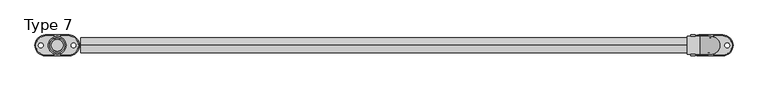
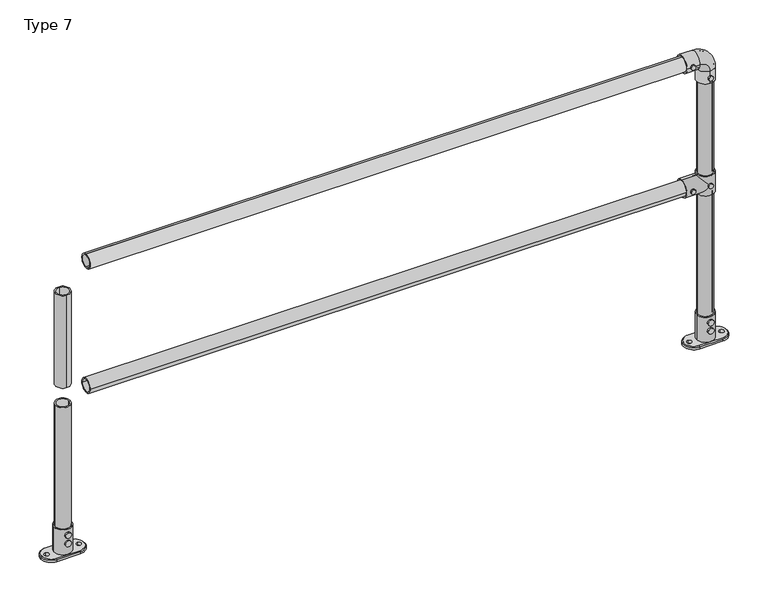
"""IFC4 building model written with IfcOpenShell, lengths in millimetres: proxy geometry, Type 7."""

from ifc_helpers import new_model, si_unit, point, frame, frame_2d, origin, origin_with_axes, origin_2d, place, context, project, spatial, polyline, circle_curve, ellipse_curve, trimmed, segment, composite_curve, outline, extrude, source, transform, mapped, element, save
from ifc_brep_helpers import plane_surface, cylinder_surface, revolved_surface, advanced_brep


def type_7_991a9b42(model_context):
    return source(origin(), model_context, "Body", "SolidModel", [
        extrude(outline(composite_curve([segment(trimmed(circle_curve(frame_2d((575.0, 2200.0)), 8.0), [point((575.0, 2208.0))], [point((575.0, 2192.0))], False, "CARTESIAN"), True, "CONTINUOUS"), segment(trimmed(circle_curve(frame_2d((575.0, 2200.0)), 8.0), [point((575.0, 2192.0))], [point((575.0, 2208.0))], False, "CARTESIAN"), True, "CONTINUOUS")], self_intersect=False)), frame((0.0, -35.0, 0.0), z_axis=(0.0, 1.0, 0.0), x_axis=(0.0, 0.0, 1.0)), (0.0, 0.0, 1.0), 5.0),
        extrude(outline(composite_curve([segment(trimmed(circle_curve(frame_2d((575.0, 2140.0)), 8.0), [point((575.0, 2148.0))], [point((575.0, 2132.0))], False, "CARTESIAN"), True, "CONTINUOUS"), segment(trimmed(circle_curve(frame_2d((575.0, 2140.0)), 8.0), [point((575.0, 2132.0))], [point((575.0, 2148.0))], False, "CARTESIAN"), True, "CONTINUOUS")], self_intersect=False)), frame((0.0, -35.0, 0.0), z_axis=(0.0, 1.0, 0.0), x_axis=(0.0, 0.0, 1.0)), (0.0, 0.0, 1.0), 5.0),
        extrude(outline(composite_curve([segment(trimmed(circle_curve(frame_2d((575.0, 2200.0)), 8.0), [point((575.0, 2208.0))], [point((575.0, 2192.0))], False, "CARTESIAN"), True, "CONTINUOUS"), segment(trimmed(circle_curve(frame_2d((575.0, 2200.0)), 8.0), [point((575.0, 2192.0))], [point((575.0, 2208.0))], False, "CARTESIAN"), True, "CONTINUOUS")], self_intersect=False)), frame((0.0, 30.0, 0.0), z_axis=(0.0, 1.0, 0.0), x_axis=(0.0, 0.0, 1.0)), (0.0, 0.0, 1.0), 5.0),
        extrude(outline(composite_curve([segment(trimmed(circle_curve(frame_2d((575.0, 2140.0)), 8.0), [point((575.0, 2148.0))], [point((575.0, 2132.0))], False, "CARTESIAN"), True, "CONTINUOUS"), segment(trimmed(circle_curve(frame_2d((575.0, 2140.0)), 8.0), [point((575.0, 2132.0))], [point((575.0, 2148.0))], False, "CARTESIAN"), True, "CONTINUOUS")], self_intersect=False)), frame((0.0, 30.0, 0.0), z_axis=(0.0, 1.0, 0.0), x_axis=(0.0, 0.0, 1.0)), (0.0, 0.0, 1.0), 5.0),
        advanced_brep(
        [(2230.0, 0.0, 610.0), (2170.0, 0.0, 610.0), (2200.0, 25.0, 610.0), (2200.0, -25.0, 610.0), (2230.0, 0.0, 540.0), (2170.0, 0.0, 540.0), (2200.0, -25.0, 540.0), (2200.0, 25.0, 540.0), (2170.0, 0.0, 545.0), (2200.0, 30.0, 575.0), (2170.0, 0.0, 605.0), (2200.0, -30.0, 575.0), (2120.0, 0.0, 545.0), (2120.0, 0.0, 605.0), (2120.0, 0.0, 600.0), (2120.0, 0.0, 550.0), (2175.0, 0.0, 600.0), (2200.0, -25.0, 575.0), (2175.0, 0.0, 550.0), (2200.0, 25.0, 575.0)],
        [
            (0, 1, circle_curve(frame((2200.0, 0.0, 610.0), z_axis=(0.0, 0.0, 1.0), x_axis=(-1.0, 0.0, 0.0)), 30.0)),
            (1, 0, circle_curve(frame((2200.0, 0.0, 610.0), z_axis=(0.0, 0.0, 1.0), x_axis=(-1.0, 0.0, 0.0)), 30.0)),
            (2, 3, circle_curve(frame((2200.0, 0.0, 610.0), z_axis=(0.0, 0.0, -1.0), x_axis=(0.0, -1.0, 0.0)), 25.0)),
            (3, 2, circle_curve(frame((2200.0, 0.0, 610.0), z_axis=(0.0, 0.0, -1.0), x_axis=(0.0, -1.0, 0.0)), 25.0)),
            (4, 5, circle_curve(frame((2200.0, 0.0, 540.0), z_axis=(0.0, 0.0, -1.0), x_axis=(-1.0, 0.0, 0.0)), 30.0)),
            (5, 4, circle_curve(frame((2200.0, 0.0, 540.0), z_axis=(0.0, 0.0, -1.0), x_axis=(-1.0, 0.0, 0.0)), 30.0)),
            (6, 7, circle_curve(frame((2200.0, 0.0, 540.0), z_axis=(0.0, 0.0, 1.0), x_axis=(0.0, -1.0, 0.0)), 25.0)),
            (7, 6, circle_curve(frame((2200.0, 0.0, 540.0), z_axis=(0.0, 0.0, 1.0), x_axis=(0.0, -1.0, 0.0)), 25.0)),
            (0, 4),
            (5, 8),
            (8, 9, ellipse_curve(frame((2200.0, 0.0, 575.0), z_axis=(0.7071067811865458, 0.0, -0.7071067811865492), x_axis=(0.7071067811865492, 0.0, 0.7071067811865458)), 42.4264069, 30.0)),
            (9, 10, ellipse_curve(frame((2200.0, 0.0, 575.0), z_axis=(0.7071067811865492, 0.0, 0.7071067811865458), x_axis=(-0.7071067811865458, 0.0, 0.7071067811865492)), 42.4264069, 30.0)),
            (10, 1),
            (10, 11, ellipse_curve(frame((2200.0, 0.0, 575.0), z_axis=(0.7071067811865492, 0.0, 0.7071067811865458), x_axis=(-0.7071067811865458, 0.0, 0.7071067811865492)), 42.4264069, 30.0)),
            (11, 8, ellipse_curve(frame((2200.0, 0.0, 575.0), z_axis=(0.7071067811865458, 0.0, -0.7071067811865492), x_axis=(0.7071067811865492, 0.0, 0.7071067811865458)), 42.4264069, 30.0)),
            (12, 13, circle_curve(frame((2120.0, 0.0, 575.0), z_axis=(-1.0, 0.0, 0.0), x_axis=(0.0, 0.0, 1.0)), 30.0)),
            (13, 12, circle_curve(frame((2120.0, 0.0, 575.0), z_axis=(-1.0, 0.0, 0.0), x_axis=(0.0, 0.0, 1.0)), 30.0)),
            (14, 15, circle_curve(frame((2120.0, 0.0, 575.0), z_axis=(1.0, 0.0, 0.0), x_axis=(0.0, 0.0, -1.0)), 25.0)),
            (15, 14, circle_curve(frame((2120.0, 0.0, 575.0), z_axis=(1.0, 0.0, 0.0), x_axis=(0.0, 0.0, -1.0)), 25.0)),
            (12, 8),
            (10, 13),
            (14, 16),
            (16, 17, ellipse_curve(frame((2200.0, 0.0, 575.0), z_axis=(0.7071067811865492, 0.0, 0.7071067811865458), x_axis=(0.7071067811865458, 0.0, -0.7071067811865492)), 35.3553391, 25.0)),
            (17, 18, ellipse_curve(frame((2200.0, 0.0, 575.0), z_axis=(0.7071067811865458, 0.0, -0.7071067811865492), x_axis=(0.7071067811865492, 0.0, 0.7071067811865457)), 35.3553391, 25.0)),
            (18, 15),
            (18, 19, ellipse_curve(frame((2200.0, 0.0, 575.0), z_axis=(0.7071067811865458, 0.0, -0.7071067811865492), x_axis=(0.7071067811865492, 0.0, 0.7071067811865457)), 35.3553391, 25.0)),
            (19, 16, ellipse_curve(frame((2200.0, 0.0, 575.0), z_axis=(0.7071067811865492, 0.0, 0.7071067811865458), x_axis=(0.7071067811865458, 0.0, -0.7071067811865492)), 35.3553391, 25.0)),
            (2, 19),
            (19, 7),
            (6, 17),
            (17, 3),
        ],
        [
            plane_surface(frame((2170.0, 0.0, 610.0), z_axis=(0.0, 0.0, 1.0), x_axis=(0.0, -1.0, 0.0))),
            plane_surface(frame((2170.0, 0.0, 540.0), z_axis=(0.0, 0.0, -1.0), x_axis=(0.0, 1.0, 0.0))),
            cylinder_surface(frame((2200.0, 0.0, 540.0), z_axis=(0.0, 0.0, 1.0), x_axis=(-1.0, 0.0, 0.0)), 30.0),
            plane_surface(frame((2120.0, 0.0, 605.0), z_axis=(-1.0, 0.0, 0.0), x_axis=(0.0, 1.0, 0.0))),
            cylinder_surface(frame((2200.0, 0.0, 575.0), z_axis=(-1.0, 0.0, 0.0), x_axis=(0.0, 0.0, 1.0)), 30.0),
            revolved_surface(polyline([(2225.00000002876, 0.0, 550.0), (2120.0, 0.0, 550.0)]), (2120.0, 0.0, 575.0), (1.0, 0.0, 0.0)),
            revolved_surface(polyline([(2200.0, -25.0, 540.0), (2200.0, -25.0, 610.0)]), (2200.0, 0.0, 610.0), (0.0, 0.0, -1.0)),
            revolved_surface(polyline([(2200.0, -25.0, 549.9999999712401), (2200.0, -25.0, 610.0)]), (2200.0, 0.0, 610.0), (0.0, 0.0, -1.0)),
            revolved_surface(polyline([(2200.0, -25.0, 540.0), (2200.0, -25.0, 600.0000000287598)]), (2200.0, 0.0, 610.0), (0.0, 0.0, -1.0)),
        ],
        [
            (0, [[1, 2], [3, 4]]),
            (1, [[5, 6], [7, 8]]),
            (2, [[-1, 9, -6, 10, 11, 12, 13]]),
            (2, [[-2, -13, 14, 15, -10, -5, -9]]),
            (3, [[16, 17], [18, 19]]),
            (4, [[-16, 20, -15, -14, 21]]),
            (4, [[-17, -21, -12, -11, -20]]),
            (5, [[-18, 22, 23, 24, 25]]),
            (5, [[-19, -25, 26, 27, -22]]),
            (6, [[28, 29, -7, 30, 31, -3]]),
            (7, [[-28, -4, -31, -23, -27]]),
            (8, [[-29, -26, -24, -30, -8]]),
        ],
    ),
        extrude(outline(composite_curve([segment(trimmed(circle_curve(frame_2d((1025.0, 2140.0)), 8.0), [point((1025.0, 2148.0))], [point((1025.0, 2132.0))], False, "CARTESIAN"), True, "CONTINUOUS"), segment(trimmed(circle_curve(frame_2d((1025.0, 2140.0)), 8.0), [point((1025.0, 2132.0))], [point((1025.0, 2148.0))], False, "CARTESIAN"), True, "CONTINUOUS")], self_intersect=False)), frame((0.0, 30.0, 0.0), z_axis=(0.0, 1.0, 0.0), x_axis=(0.0, 0.0, 1.0)), (0.0, 0.0, 1.0), 5.0),
        extrude(outline(composite_curve([segment(trimmed(circle_curve(frame_2d((965.0, 2200.0)), 8.0), [point((965.0, 2208.0))], [point((965.0, 2192.0))], False, "CARTESIAN"), True, "CONTINUOUS"), segment(trimmed(circle_curve(frame_2d((965.0, 2200.0)), 8.0), [point((965.0, 2192.0))], [point((965.0, 2208.0))], False, "CARTESIAN"), True, "CONTINUOUS")], self_intersect=False)), frame((0.0, 30.0, 0.0), z_axis=(0.0, 1.0, 0.0), x_axis=(0.0, 0.0, 1.0)), (0.0, 0.0, 1.0), 5.0),
        extrude(outline(composite_curve([segment(trimmed(circle_curve(frame_2d((1025.0, 2140.0)), 8.0), [point((1025.0, 2148.0))], [point((1025.0, 2132.0))], False, "CARTESIAN"), True, "CONTINUOUS"), segment(trimmed(circle_curve(frame_2d((1025.0, 2140.0)), 8.0), [point((1025.0, 2132.0))], [point((1025.0, 2148.0))], False, "CARTESIAN"), True, "CONTINUOUS")], self_intersect=False)), frame((0.0, -35.0, 0.0), z_axis=(0.0, 1.0, 0.0), x_axis=(0.0, 0.0, 1.0)), (0.0, 0.0, 1.0), 5.0),
        extrude(outline(composite_curve([segment(trimmed(circle_curve(frame_2d((965.0, 2200.0)), 8.0), [point((965.0, 2208.0))], [point((965.0, 2192.0))], False, "CARTESIAN"), True, "CONTINUOUS"), segment(trimmed(circle_curve(frame_2d((965.0, 2200.0)), 8.0), [point((965.0, 2192.0))], [point((965.0, 2208.0))], False, "CARTESIAN"), True, "CONTINUOUS")], self_intersect=False)), frame((0.0, -35.0, 0.0), z_axis=(0.0, 1.0, 0.0), x_axis=(0.0, 0.0, 1.0)), (0.0, 0.0, 1.0), 5.0),
        advanced_brep(
        [(2200.0, -30.0, 945.0), (2200.0, 30.0, 945.0), (2200.0, -25.0, 945.0), (2200.0, 25.0, 945.0), (2200.0, 30.0, 990.0), (2200.0, -30.0, 990.0), (2165.0, 30.0, 1025.0), (2165.0, -30.0, 1025.0), (2120.0, -30.0, 1025.0), (2120.0, 30.0, 1025.0), (2120.0, -25.0, 1025.0), (2120.0, 25.0, 1025.0), (2200.0, 25.0, 990.0), (2200.0, -25.0, 990.0), (2165.0, 25.0, 1025.0), (2165.0, -25.0, 1025.0)],
        [
            (0, 1, circle_curve(frame((2200.0, 0.0, 945.0), z_axis=(0.0, 0.0, -1.0), x_axis=(0.0, 1.0, 0.0)), 30.0)),
            (1, 0, circle_curve(frame((2200.0, 0.0, 945.0), z_axis=(0.0, 0.0, -1.0), x_axis=(0.0, 1.0, 0.0)), 30.0)),
            (2, 3, circle_curve(frame((2200.0, 0.0, 945.0), z_axis=(0.0, 0.0, 1.0), x_axis=(0.0, 1.0, 0.0)), 25.0)),
            (3, 2, circle_curve(frame((2200.0, 0.0, 945.0), z_axis=(0.0, 0.0, 1.0), x_axis=(0.0, 1.0, 0.0)), 25.0)),
            (1, 4),
            (4, 5, circle_curve(frame((2200.0, 0.0, 990.0), z_axis=(0.0, 0.0, -1.0), x_axis=(0.0, 1.0, 0.0)), 30.0)),
            (5, 0),
            (5, 4, circle_curve(frame((2200.0, 0.0, 990.0), z_axis=(0.0, 0.0, -1.0), x_axis=(0.0, 1.0, 0.0)), 30.0)),
            (6, 7, circle_curve(frame((2165.0, 0.0, 1025.0), z_axis=(1.0, 0.0, 0.0), x_axis=(0.0, 1.0, 0.0)), 30.0)),
            (7, 5, circle_curve(frame((2165.0, -30.0, 990.0), z_axis=(0.0, 1.0, 0.0), x_axis=(1.0, 0.0, 0.0)), 35.0)),
            (4, 6, circle_curve(frame((2165.0, 30.0, 990.0), z_axis=(0.0, -1.0, 0.0), x_axis=(1.0, 0.0, 0.0)), 35.0)),
            (7, 6, circle_curve(frame((2165.0, 0.0, 1025.0), z_axis=(1.0, 0.0, 0.0), x_axis=(0.0, 1.0, 0.0)), 30.0)),
            (8, 9, circle_curve(frame((2120.0, 0.0, 1025.0), z_axis=(-1.0, 0.0, 0.0), x_axis=(0.0, 1.0, 0.0)), 30.0)),
            (9, 8, circle_curve(frame((2120.0, 0.0, 1025.0), z_axis=(-1.0, 0.0, 0.0), x_axis=(0.0, 1.0, 0.0)), 30.0)),
            (10, 11, circle_curve(frame((2120.0, 0.0, 1025.0), z_axis=(1.0, 0.0, 0.0), x_axis=(0.0, 1.0, 0.0)), 25.0)),
            (11, 10, circle_curve(frame((2120.0, 0.0, 1025.0), z_axis=(1.0, 0.0, 0.0), x_axis=(0.0, 1.0, 0.0)), 25.0)),
            (6, 9),
            (8, 7),
            (3, 12),
            (12, 13, circle_curve(frame((2200.0, 0.0, 990.0), z_axis=(0.0, 0.0, 1.0), x_axis=(0.0, 1.0, 0.0)), 25.0)),
            (13, 2),
            (13, 12, circle_curve(frame((2200.0, 0.0, 990.0), z_axis=(0.0, 0.0, 1.0), x_axis=(0.0, 1.0, 0.0)), 25.0)),
            (14, 15, circle_curve(frame((2165.0, 0.0, 1025.0), z_axis=(-1.0, 0.0, 0.0), x_axis=(0.0, 1.0, 0.0)), 25.0)),
            (15, 13, circle_curve(frame((2165.0, -25.0, 990.0), z_axis=(0.0, 1.0, 0.0), x_axis=(1.0, 0.0, 0.0)), 35.0)),
            (12, 14, circle_curve(frame((2165.0, 25.0, 990.0), z_axis=(0.0, -1.0, 0.0), x_axis=(1.0, 0.0, 0.0)), 35.0)),
            (15, 14, circle_curve(frame((2165.0, 0.0, 1025.0), z_axis=(-1.0, 0.0, 0.0), x_axis=(0.0, 1.0, 0.0)), 25.0)),
            (14, 11),
            (10, 15),
        ],
        [
            plane_surface(frame((2170.0, 0.0, 945.0), z_axis=(0.0, 0.0, -1.0), x_axis=(0.0, -1.0, 0.0))),
            cylinder_surface(frame((2200.0, 0.0, 945.0), z_axis=(0.0, 0.0, -1.0), x_axis=(0.0, 1.0, 0.0)), 30.0),
            revolved_surface(trimmed(ellipse_curve(frame((2200.0, 0.0, 990.0), z_axis=(0.0, 0.0, 1.0), x_axis=(0.0, 1.0, 0.0)), 30.0, 30.0), [point((2200.0, -30.0, 990.0))], [point((2200.0, 30.0, 990.0))], True, "CARTESIAN"), (2165.0, 0.0, 990.0), (0.0, 1.0, 0.0)),
            revolved_surface(trimmed(ellipse_curve(frame((2200.0, 0.0, 990.0), z_axis=(0.0, 0.0, 1.0), x_axis=(0.0, 1.0, 0.0)), 30.0, 30.0), [point((2200.0, 30.0, 990.0))], [point((2200.0, -30.0, 990.0))], True, "CARTESIAN"), (2165.0, 0.0, 990.0), (0.0, 1.0, 0.0)),
            plane_surface(frame((2120.0, 0.0, 995.0), z_axis=(-1.0, 0.0, 0.0), x_axis=(0.0, -1.0, 0.0))),
            cylinder_surface(frame((2165.0, 0.0, 1025.0), z_axis=(1.0, 0.0, 0.0), x_axis=(0.0, 1.0, 0.0)), 30.0),
            revolved_surface(polyline([(2200.0, 25.0, 990.0), (2200.0, 25.0, 945.0)]), (2200.0, 0.0, 945.0), (0.0, 0.0, 1.0)),
            revolved_surface(trimmed(ellipse_curve(frame((2200.0, 0.0, 990.0), z_axis=(0.0, 0.0, -1.0), x_axis=(0.0, 1.0, 0.0)), 25.0, 25.0), [point((2200.0, -25.0, 990.0))], [point((2200.0, 25.0, 990.0))], True, "CARTESIAN"), (2165.0, 0.0, 990.0), (0.0, 1.0, 0.0)),
            revolved_surface(trimmed(ellipse_curve(frame((2200.0, 0.0, 990.0), z_axis=(0.0, 0.0, -1.0), x_axis=(0.0, 1.0, 0.0)), 25.0, 25.0), [point((2200.0, 25.0, 990.0))], [point((2200.0, -25.0, 990.0))], True, "CARTESIAN"), (2165.0, 0.0, 990.0), (0.0, 1.0, 0.0)),
            revolved_surface(polyline([(2120.0, 25.0, 1025.0), (2165.0, 25.0, 1025.0)]), (2165.0, 0.0, 1025.0), (-1.0, 0.0, 0.0)),
        ],
        [
            (0, [[1, 2], [3, 4]]),
            (1, [[5, 6, 7, -2]]),
            (1, [[-7, 8, -5, -1]]),
            (2, [[9, 10, -6, 11]]),
            (3, [[12, -11, -8, -10]]),
            (4, [[13, 14], [15, 16]]),
            (5, [[17, -13, 18, -9]]),
            (5, [[-18, -14, -17, -12]]),
            (6, [[19, 20, 21, -4]]),
            (6, [[-21, 22, -19, -3]]),
            (7, [[23, 24, -20, 25]]),
            (8, [[26, -25, -22, -24]]),
            (9, [[27, -15, 28, -23]]),
            (9, [[-28, -16, -27, -26]]),
        ],
    ),
        extrude(outline(composite_curve([segment(trimmed(circle_curve(frame_2d((0.0, 575.0)), 25.0), [point((-25.0, 575.0))], [point((25.0, 575.0))], False, "CARTESIAN"), True, "CONTINUOUS"), segment(trimmed(circle_curve(frame_2d((0.0, 575.0)), 25.0), [point((25.0, 575.0))], [point((-25.0, 575.0))], False, "CARTESIAN"), True, "CONTINUOUS")], self_intersect=False), holes=[composite_curve([segment(trimmed(circle_curve(frame_2d((0.0, 575.0)), 20.0), [point((-20.0, 575.0))], [point((20.0, 575.0))], True, "CARTESIAN"), True, "CONTINUOUS"), segment(trimmed(circle_curve(frame_2d((0.0, 575.0)), 20.0), [point((20.0, 575.0))], [point((-20.0, 575.0))], True, "CARTESIAN"), True, "CONTINUOUS")], self_intersect=False)]), frame((80.0, 0.0, 0.0), z_axis=(1.0, 0.0, 0.0), x_axis=(0.0, 1.0, 0.0)), (0.0, 0.0, 1.0), 2040.0),
        extrude(outline(composite_curve([segment(trimmed(circle_curve(frame_2d((0.0, 1025.0)), 25.0), [point((0.0, 1050.0))], [point((0.0, 1000.0))], False, "CARTESIAN"), True, "CONTINUOUS"), segment(trimmed(circle_curve(frame_2d((0.0, 1025.0)), 25.0), [point((0.0, 1000.0))], [point((0.0, 1050.0))], False, "CARTESIAN"), True, "CONTINUOUS")], self_intersect=False), holes=[composite_curve([segment(trimmed(circle_curve(frame_2d((0.0, 1025.0)), 20.0), [point((0.0, 1045.0))], [point((0.0, 1005.0))], True, "CARTESIAN"), True, "CONTINUOUS"), segment(trimmed(circle_curve(frame_2d((0.0, 1025.0)), 20.0), [point((0.0, 1005.0))], [point((0.0, 1045.0))], True, "CARTESIAN"), True, "CONTINUOUS")], self_intersect=False)]), frame((80.0, 0.0, 0.0), z_axis=(1.0, 0.0, 0.0), x_axis=(0.0, 1.0, 0.0)), (0.0, 0.0, 1.0), 2040.0),
        extrude(outline(composite_curve([segment(trimmed(circle_curve(frame_2d((2200.0, 0.0)), 25.0), [point((2175.0, 0.0))], [point((2225.0, 0.0))], False, "CARTESIAN"), True, "CONTINUOUS"), segment(trimmed(circle_curve(frame_2d((2200.0, 0.0)), 25.0), [point((2225.0, 0.0))], [point((2175.0, 0.0))], False, "CARTESIAN"), True, "CONTINUOUS")], self_intersect=False), holes=[composite_curve([segment(trimmed(circle_curve(frame_2d((2200.0, 0.0)), 20.0), [point((2180.0, 0.0))], [point((2220.0, 0.0))], True, "CARTESIAN"), True, "CONTINUOUS"), segment(trimmed(circle_curve(frame_2d((2200.0, 0.0)), 20.0), [point((2220.0, 0.0))], [point((2180.0, 0.0))], True, "CARTESIAN"), True, "CONTINUOUS")], self_intersect=False)]), frame((0.0, 0.0, 610.0), z_axis=(0.0, 0.0, 1.0), x_axis=(1.0, 0.0, 0.0)), (0.0, 0.0, 1.0), 335.0),
        extrude(outline(composite_curve([segment(trimmed(circle_curve(frame_2d((2200.0, 0.0)), 25.0), [point((2225.0, 0.0))], [point((2175.0, 0.0))], False, "CARTESIAN"), True, "CONTINUOUS"), segment(trimmed(circle_curve(frame_2d((2200.0, 0.0)), 25.0), [point((2175.0, 0.0))], [point((2225.0, 0.0))], False, "CARTESIAN"), True, "CONTINUOUS")], self_intersect=False), holes=[composite_curve([segment(trimmed(circle_curve(frame_2d((2200.0, 0.0)), 20.0), [point((2220.0, 0.0))], [point((2180.0, 0.0))], True, "CARTESIAN"), True, "CONTINUOUS"), segment(trimmed(circle_curve(frame_2d((2200.0, 0.0)), 20.0), [point((2180.0, 0.0))], [point((2220.0, 0.0))], True, "CARTESIAN"), True, "CONTINUOUS")], self_intersect=False)]), frame((0.0, 0.0, 100.0), z_axis=(0.0, 0.0, 1.0), x_axis=(1.0, 0.0, 0.0)), (0.0, 0.0, 1.0), 440.0),
        extrude(outline(composite_curve([segment(trimmed(circle_curve(frame_2d((80.0, 2200.0)), 10.0), [point((80.0, 2190.0))], [point((80.0, 2210.0))], False, "CARTESIAN"), True, "CONTINUOUS"), segment(trimmed(circle_curve(frame_2d((80.0, 2200.0)), 10.0), [point((80.0, 2210.0))], [point((80.0, 2190.0))], False, "CARTESIAN"), True, "CONTINUOUS")], self_intersect=False)), frame((0.0, 30.0, 0.0), z_axis=(0.0, 1.0, 0.0), x_axis=(0.0, 0.0, 1.0)), (0.0, 0.0, 1.0), 5.0),
        extrude(outline(composite_curve([segment(trimmed(circle_curve(frame_2d((50.0, 2200.0)), 10.0), [point((50.0, 2190.0))], [point((50.0, 2210.0))], False, "CARTESIAN"), True, "CONTINUOUS"), segment(trimmed(circle_curve(frame_2d((50.0, 2200.0)), 10.0), [point((50.0, 2210.0))], [point((50.0, 2190.0))], False, "CARTESIAN"), True, "CONTINUOUS")], self_intersect=False)), frame((0.0, 30.0, 0.0), z_axis=(0.0, 1.0, 0.0), x_axis=(0.0, 0.0, 1.0)), (0.0, 0.0, 1.0), 5.0),
        extrude(outline(composite_curve([segment(trimmed(circle_curve(frame_2d((80.0, 2200.0)), 10.0), [point((80.0, 2190.0))], [point((80.0, 2210.0))], False, "CARTESIAN"), True, "CONTINUOUS"), segment(trimmed(circle_curve(frame_2d((80.0, 2200.0)), 10.0), [point((80.0, 2210.0))], [point((80.0, 2190.0))], False, "CARTESIAN"), True, "CONTINUOUS")], self_intersect=False)), frame((0.0, -35.0, 0.0), z_axis=(0.0, 1.0, 0.0), x_axis=(0.0, 0.0, 1.0)), (0.0, 0.0, 1.0), 5.0),
        extrude(outline(composite_curve([segment(trimmed(circle_curve(frame_2d((50.0, 2200.0)), 10.0), [point((50.0, 2190.0))], [point((50.0, 2210.0))], False, "CARTESIAN"), True, "CONTINUOUS"), segment(trimmed(circle_curve(frame_2d((50.0, 2200.0)), 10.0), [point((50.0, 2210.0))], [point((50.0, 2190.0))], False, "CARTESIAN"), True, "CONTINUOUS")], self_intersect=False)), frame((0.0, -35.0, 0.0), z_axis=(0.0, 1.0, 0.0), x_axis=(0.0, 0.0, 1.0)), (0.0, 0.0, 1.0), 5.0),
        advanced_brep(
        [(2225.0, 0.0, 10.0), (2175.0, 0.0, 10.0), (2240.0, -32.0, 10.0), (2240.0, 32.0, 10.0), (2160.0, 32.0, 10.0), (2160.0, -32.0, 10.0), (2230.0, 0.0, 10.0), (2170.0, 0.0, 10.0), (2145.0, -8.0, 10.0), (2145.0, 8.0, 10.0), (2255.0, -8.0, 10.0), (2255.0, 8.0, 10.0), (2240.0, 35.0, 0.0), (2240.0, -35.0, 0.0), (2160.0, -35.0, 0.0), (2160.0, 35.0, 0.0), (2145.0, 8.0, 0.0), (2145.0, -8.0, 0.0), (2255.0, 8.0, 0.0), (2255.0, -8.0, 0.0), (2160.0, 35.0, 7.0), (2240.0, 35.0, 7.0), (2160.0, -35.0, 7.0), (2240.0, -35.0, 7.0), (2170.0, 0.0, 100.0), (2230.0, 0.0, 100.0), (2175.0, 0.0, 100.0), (2225.0, 0.0, 100.0)],
        [
            (0, 1, circle_curve(frame((2200.0, 0.0, 10.0), z_axis=(0.0, 0.0, 1.0), x_axis=(1.0, 0.0, 0.0)), 25.0)),
            (1, 0, circle_curve(frame((2200.0, 0.0, 10.0), z_axis=(0.0, 0.0, 1.0), x_axis=(1.0, 0.0, 0.0)), 25.0)),
            (2, 3, circle_curve(frame((2240.0, 0.0, 10.0), z_axis=(0.0, 0.0, 1.0), x_axis=(0.0, -1.0, 0.0)), 32.0)),
            (3, 4),
            (4, 5, circle_curve(frame((2160.0, 0.0, 10.0), z_axis=(0.0, 0.0, 1.0), x_axis=(0.0, 1.0, 0.0)), 32.0)),
            (5, 2),
            (6, 7, circle_curve(frame((2200.0, 0.0, 10.0), z_axis=(0.0, 0.0, -1.0), x_axis=(1.0, 0.0, 0.0)), 30.0)),
            (7, 6, circle_curve(frame((2200.0, 0.0, 10.0), z_axis=(0.0, 0.0, -1.0), x_axis=(1.0, 0.0, 0.0)), 30.0)),
            (8, 9, circle_curve(frame((2145.0, 0.0, 10.0), z_axis=(0.0, 0.0, -1.0), x_axis=(0.0, 1.0, 0.0)), 8.0)),
            (9, 8, circle_curve(frame((2145.0, 0.0, 10.0), z_axis=(0.0, 0.0, -1.0), x_axis=(0.0, 1.0, 0.0)), 8.0)),
            (10, 11, circle_curve(frame((2255.0, 0.0, 10.0), z_axis=(0.0, 0.0, -1.0), x_axis=(0.0, 1.0, 0.0)), 8.0)),
            (11, 10, circle_curve(frame((2255.0, 0.0, 10.0), z_axis=(0.0, 0.0, -1.0), x_axis=(0.0, 1.0, 0.0)), 8.0)),
            (12, 13, circle_curve(frame((2240.0, 0.0, 0.0), z_axis=(0.0, 0.0, -1.0), x_axis=(1.0, 0.0, 0.0)), 35.0)),
            (13, 14),
            (14, 15, circle_curve(frame((2160.0, 0.0, 0.0), z_axis=(0.0, 0.0, -1.0), x_axis=(1.0, 0.0, 0.0)), 35.0)),
            (15, 12),
            (16, 17, circle_curve(frame((2145.0, 0.0, 0.0), z_axis=(0.0, 0.0, 1.0), x_axis=(0.0, 1.0, 0.0)), 8.0)),
            (17, 16, circle_curve(frame((2145.0, 0.0, 0.0), z_axis=(0.0, 0.0, 1.0), x_axis=(0.0, 1.0, 0.0)), 8.0)),
            (18, 19, circle_curve(frame((2255.0, 0.0, 0.0), z_axis=(0.0, 0.0, 1.0), x_axis=(0.0, 1.0, 0.0)), 8.0)),
            (19, 18, circle_curve(frame((2255.0, 0.0, 0.0), z_axis=(0.0, 0.0, 1.0), x_axis=(0.0, 1.0, 0.0)), 8.0)),
            (15, 20),
            (20, 21),
            (21, 12),
            (14, 22),
            (22, 20, circle_curve(frame((2160.0, 0.0, 7.0), z_axis=(0.0, 0.0, -1.0), x_axis=(1.0, 0.0, 0.0)), 35.0)),
            (13, 23),
            (23, 22),
            (21, 23, circle_curve(frame((2240.0, 0.0, 7.0), z_axis=(0.0, 0.0, -1.0), x_axis=(1.0, 0.0, 0.0)), 35.0)),
            (24, 25, circle_curve(frame((2200.0, 0.0, 100.0), z_axis=(0.0, 0.0, 1.0), x_axis=(1.0, 0.0, 0.0)), 30.0)),
            (25, 24, circle_curve(frame((2200.0, 0.0, 100.0), z_axis=(0.0, 0.0, 1.0), x_axis=(1.0, 0.0, 0.0)), 30.0)),
            (26, 27, circle_curve(frame((2200.0, 0.0, 100.0), z_axis=(0.0, 0.0, -1.0), x_axis=(1.0, 0.0, 0.0)), 25.0)),
            (27, 26, circle_curve(frame((2200.0, 0.0, 100.0), z_axis=(0.0, 0.0, -1.0), x_axis=(1.0, 0.0, 0.0)), 25.0)),
            (24, 7),
            (6, 25),
            (26, 1),
            (0, 27),
            (21, 3),
            (2, 23),
            (20, 4),
            (22, 5),
            (16, 9),
            (8, 17),
            (18, 11),
            (10, 19),
        ],
        [
            plane_surface(frame((2160.0, 35.0, 10.0), z_axis=(0.0, 0.0, 1.0), x_axis=(-1.0, 0.0, 0.0))),
            plane_surface(frame((2160.0, 35.0, 0.0), z_axis=(0.0, 0.0, -1.0), x_axis=(1.0, 0.0, 0.0))),
            plane_surface(frame((2240.0, 35.0, 10.0), z_axis=(0.0, 1.0, 0.0), x_axis=(0.0, 0.0, -1.0))),
            cylinder_surface(frame((2160.0, 0.0, 0.0), z_axis=(0.0, 0.0, 1.0), x_axis=(1.0, 0.0, 0.0)), 35.0),
            plane_surface(frame((2160.0, -35.0, 10.0), z_axis=(0.0, -1.0, 0.0), x_axis=(0.0, 0.0, -1.0))),
            cylinder_surface(frame((2240.0, 0.0, 0.0), z_axis=(0.0, 0.0, 1.0), x_axis=(1.0, 0.0, 0.0)), 35.0),
            plane_surface(frame((2230.0, 0.0, 100.0), z_axis=(0.0, 0.0, 1.0), x_axis=(0.0, 1.0, 0.0))),
            cylinder_surface(frame((2200.0, 0.0, 0.0), z_axis=(0.0, 0.0, 1.0), x_axis=(1.0, 0.0, 0.0)), 30.0),
            revolved_surface(polyline([(2225.0, 0.0, 10.0), (2225.0, 0.0, 100.0)]), (2200.0, 0.0, 0.0), (0.0, 0.0, -1.0)),
            revolved_surface(polyline([(2240.0, -35.0, 7.0), (2240.0, -32.0, 10.0)]), (2240.0, 0.0, 10.0), (0.0, 0.0, 1.0)),
            plane_surface(frame((2240.0, 32.0, 10.0), z_axis=(0.0, 0.7071067811865211, 0.707106781186574), x_axis=(-1.0, 0.0, 0.0))),
            revolved_surface(polyline([(2160.0, 35.0, 7.0), (2160.0, 32.0, 10.0)]), (2160.0, 0.0, 10.0), (0.0, 0.0, 1.0)),
            plane_surface(frame((2160.0, -32.0, 10.0), z_axis=(0.0, -0.7071067811865211, 0.707106781186574), x_axis=(1.0, 0.0, 0.0))),
            revolved_surface(polyline([(2145.0, 8.0, 0.0), (2145.0, 8.0, 10.0)]), (2145.0, 0.0, 10.0), (0.0, 0.0, -1.0)),
            revolved_surface(polyline([(2255.0, 8.0, 0.0), (2255.0, 8.0, 10.0)]), (2255.0, 0.0, 0.0), (0.0, 0.0, -1.0)),
        ],
        [
            (0, [[1, 2]]),
            (0, [[3, 4, 5, 6], [7, 8], [9, 10], [11, 12]]),
            (1, [[13, 14, 15, 16], [17, 18], [19, 20]]),
            (2, [[-16, 21, 22, 23]]),
            (3, [[-15, 24, 25, -21]]),
            (4, [[-14, 26, 27, -24]]),
            (5, [[-13, -23, 28, -26]]),
            (6, [[29, 30], [31, 32]]),
            (7, [[-29, 33, -7, 34]]),
            (7, [[-30, -34, -8, -33]]),
            (8, [[-31, 35, -1, 36]]),
            (8, [[-32, -36, -2, -35]]),
            (9, [[37, -3, 38, -28]]),
            (10, [[-37, -22, 39, -4]]),
            (11, [[-39, -25, 40, -5]]),
            (12, [[-38, -6, -40, -27]]),
            (13, [[41, -9, 42, -17]]),
            (13, [[-41, -18, -42, -10]]),
            (14, [[43, -11, 44, -19]]),
            (14, [[-43, -20, -44, -12]]),
        ],
    ),
        extrude(outline(composite_curve([segment(trimmed(circle_curve(origin_2d(), 25.0), [point((0.0, -25.0))], [point((0.0, 25.0))], False, "CARTESIAN"), True, "CONTINUOUS"), segment(trimmed(circle_curve(origin_2d(), 25.0), [point((0.0, 25.0))], [point((0.0, -25.0))], False, "CARTESIAN"), True, "CONTINUOUS")], self_intersect=False), holes=[composite_curve([segment(trimmed(circle_curve(origin_2d(), 20.0), [point((0.0, -20.0))], [point((0.0, 20.0))], True, "CARTESIAN"), True, "CONTINUOUS"), segment(trimmed(circle_curve(origin_2d(), 20.0), [point((0.0, 20.0))], [point((0.0, -20.0))], True, "CARTESIAN"), True, "CONTINUOUS")], self_intersect=False)]), frame((0.0, 0.0, 610.0), z_axis=(0.0, 0.0, 1.0), x_axis=(1.0, 0.0, 0.0)), (0.0, 0.0, 1.0), 335.0),
        extrude(outline(composite_curve([segment(trimmed(circle_curve(origin_2d(), 25.0), [point((25.0, 0.0))], [point((-25.0, 0.0))], False, "CARTESIAN"), True, "CONTINUOUS"), segment(trimmed(circle_curve(origin_2d(), 25.0), [point((-25.0, 0.0))], [point((25.0, 0.0))], False, "CARTESIAN"), True, "CONTINUOUS")], self_intersect=False), holes=[composite_curve([segment(trimmed(circle_curve(origin_2d(), 20.0), [point((20.0, 0.0))], [point((-20.0, 0.0))], True, "CARTESIAN"), True, "CONTINUOUS"), segment(trimmed(circle_curve(origin_2d(), 20.0), [point((-20.0, 0.0))], [point((20.0, 0.0))], True, "CARTESIAN"), True, "CONTINUOUS")], self_intersect=False)]), frame((0.0, 0.0, 100.0), z_axis=(0.0, 0.0, 1.0), x_axis=(1.0, 0.0, 0.0)), (0.0, 0.0, 1.0), 440.0),
        extrude(outline(composite_curve([segment(trimmed(circle_curve(frame_2d((50.0, 0.0)), 10.0), [point((50.0, -10.0))], [point((50.0, 10.0))], False, "CARTESIAN"), True, "CONTINUOUS"), segment(trimmed(circle_curve(frame_2d((50.0, 0.0)), 10.0), [point((50.0, 10.0))], [point((50.0, -10.0))], False, "CARTESIAN"), True, "CONTINUOUS")], self_intersect=False)), frame((0.0, 30.0, 0.0), z_axis=(0.0, 1.0, 0.0), x_axis=(0.0, 0.0, 1.0)), (0.0, 0.0, 1.0), 5.0),
        extrude(outline(composite_curve([segment(trimmed(circle_curve(frame_2d((80.0, 0.0)), 10.0), [point((80.0, -10.0))], [point((80.0, 10.0))], False, "CARTESIAN"), True, "CONTINUOUS"), segment(trimmed(circle_curve(frame_2d((80.0, 0.0)), 10.0), [point((80.0, 10.0))], [point((80.0, -10.0))], False, "CARTESIAN"), True, "CONTINUOUS")], self_intersect=False)), frame((0.0, 30.0, 0.0), z_axis=(0.0, 1.0, 0.0), x_axis=(0.0, 0.0, 1.0)), (0.0, 0.0, 1.0), 5.0),
        extrude(outline(composite_curve([segment(trimmed(circle_curve(frame_2d((50.0, 0.0)), 10.0), [point((50.0, -10.0))], [point((50.0, 10.0))], False, "CARTESIAN"), True, "CONTINUOUS"), segment(trimmed(circle_curve(frame_2d((50.0, 0.0)), 10.0), [point((50.0, 10.0))], [point((50.0, -10.0))], False, "CARTESIAN"), True, "CONTINUOUS")], self_intersect=False)), frame((0.0, -35.0, 0.0), z_axis=(0.0, 1.0, 0.0), x_axis=(0.0, 0.0, 1.0)), (0.0, 0.0, 1.0), 5.0),
        extrude(outline(composite_curve([segment(trimmed(circle_curve(frame_2d((80.0, 0.0)), 10.0), [point((80.0, -10.0))], [point((80.0, 10.0))], False, "CARTESIAN"), True, "CONTINUOUS"), segment(trimmed(circle_curve(frame_2d((80.0, 0.0)), 10.0), [point((80.0, 10.0))], [point((80.0, -10.0))], False, "CARTESIAN"), True, "CONTINUOUS")], self_intersect=False)), frame((0.0, -35.0, 0.0), z_axis=(0.0, 1.0, 0.0), x_axis=(0.0, 0.0, 1.0)), (0.0, 0.0, 1.0), 5.0),
        advanced_brep(
        [(-30.0, 0.0, 100.0), (30.0, 0.0, 100.0), (-25.0, 0.0, 100.0), (25.0, 0.0, 100.0), (40.0, 35.0, 0.0), (75.0, 0.0, 0.0), (40.0, -35.0, 0.0), (-40.0, -35.0, 0.0), (-75.0, 0.0, 0.0), (-40.0, 35.0, 0.0), (-55.0, 8.0, 0.0), (-55.0, -8.0, 0.0), (55.0, 8.0, 0.0), (55.0, -8.0, 0.0), (-30.0, 0.0, 10.0), (30.0, 0.0, 10.0), (-25.0, 0.0, 10.0), (25.0, 0.0, 10.0), (40.0, -32.0, 10.0), (72.0, 0.0, 10.0), (40.0, 32.0, 10.0), (-40.0, 32.0, 10.0), (-72.0, 0.0, 10.0), (-40.0, -32.0, 10.0), (-55.0, -8.0, 10.0), (-55.0, 8.0, 10.0), (55.0, -8.0, 10.0), (55.0, 8.0, 10.0), (-40.0, 35.0, 7.0), (40.0, 35.0, 7.0), (-75.0, 0.0, 7.0), (-40.0, -35.0, 7.0), (40.0, -35.0, 7.0), (75.0, 0.0, 7.0)],
        [
            (0, 1, circle_curve(frame((0.0, 0.0, 100.0), z_axis=(0.0, 0.0, 1.0), x_axis=(1.0, 0.0, 0.0)), 30.0)),
            (1, 0, circle_curve(frame((0.0, 0.0, 100.0), z_axis=(0.0, 0.0, 1.0), x_axis=(1.0, 0.0, 0.0)), 30.0)),
            (2, 3, circle_curve(frame((0.0, 0.0, 100.0), z_axis=(0.0, 0.0, -1.0), x_axis=(1.0, 0.0, 0.0)), 25.0)),
            (3, 2, circle_curve(frame((0.0, 0.0, 100.0), z_axis=(0.0, 0.0, -1.0), x_axis=(1.0, 0.0, 0.0)), 25.0)),
            (4, 5, circle_curve(frame((40.0, 0.0, 0.0), z_axis=(0.0, 0.0, -1.0), x_axis=(1.0, 0.0, 0.0)), 35.0)),
            (5, 6, circle_curve(frame((40.0, 0.0, 0.0), z_axis=(0.0, 0.0, -1.0), x_axis=(1.0, 0.0, 0.0)), 35.0)),
            (6, 7),
            (7, 8, circle_curve(frame((-40.0, 0.0, 0.0), z_axis=(0.0, 0.0, -1.0), x_axis=(1.0, 0.0, 0.0)), 35.0)),
            (8, 9, circle_curve(frame((-40.0, 0.0, 0.0), z_axis=(0.0, 0.0, -1.0), x_axis=(1.0, 0.0, 0.0)), 35.0)),
            (9, 4),
            (10, 11, circle_curve(frame((-55.0, 0.0, 0.0), z_axis=(0.0, 0.0, 1.0), x_axis=(0.0, 1.0, 0.0)), 8.0)),
            (11, 10, circle_curve(frame((-55.0, 0.0, 0.0), z_axis=(0.0, 0.0, 1.0), x_axis=(0.0, 1.0, 0.0)), 8.0)),
            (12, 13, circle_curve(frame((55.0, 0.0, 0.0), z_axis=(0.0, 0.0, 1.0), x_axis=(0.0, 1.0, 0.0)), 8.0)),
            (13, 12, circle_curve(frame((55.0, 0.0, 0.0), z_axis=(0.0, 0.0, 1.0), x_axis=(0.0, 1.0, 0.0)), 8.0)),
            (0, 14),
            (14, 15, circle_curve(frame((0.0, 0.0, 10.0), z_axis=(0.0, 0.0, 1.0), x_axis=(1.0, 0.0, 0.0)), 30.0)),
            (15, 1),
            (15, 14, circle_curve(frame((0.0, 0.0, 10.0), z_axis=(0.0, 0.0, 1.0), x_axis=(1.0, 0.0, 0.0)), 30.0)),
            (2, 16),
            (16, 17, circle_curve(frame((0.0, 0.0, 10.0), z_axis=(0.0, 0.0, -1.0), x_axis=(1.0, 0.0, 0.0)), 25.0)),
            (17, 3),
            (17, 16, circle_curve(frame((0.0, 0.0, 10.0), z_axis=(0.0, 0.0, -1.0), x_axis=(1.0, 0.0, 0.0)), 25.0)),
            (18, 19, circle_curve(frame((40.0, 0.0, 10.0), z_axis=(0.0, 0.0, 1.0), x_axis=(0.0, -1.0, 0.0)), 32.0)),
            (19, 20, circle_curve(frame((40.0, 0.0, 10.0), z_axis=(0.0, 0.0, 1.0), x_axis=(1.0, 0.0, 0.0)), 32.0)),
            (20, 21),
            (21, 22, circle_curve(frame((-40.0, 0.0, 10.0), z_axis=(0.0, 0.0, 1.0), x_axis=(0.0, 1.0, 0.0)), 32.0)),
            (22, 23, circle_curve(frame((-40.0, 0.0, 10.0), z_axis=(0.0, 0.0, 1.0), x_axis=(-1.0, 0.0, 0.0)), 32.0)),
            (23, 18),
            (24, 25, circle_curve(frame((-55.0, 0.0, 10.0), z_axis=(0.0, 0.0, -1.0), x_axis=(0.0, 1.0, 0.0)), 8.0)),
            (25, 24, circle_curve(frame((-55.0, 0.0, 10.0), z_axis=(0.0, 0.0, -1.0), x_axis=(0.0, 1.0, 0.0)), 8.0)),
            (26, 27, circle_curve(frame((55.0, 0.0, 10.0), z_axis=(0.0, 0.0, -1.0), x_axis=(0.0, 1.0, 0.0)), 8.0)),
            (27, 26, circle_curve(frame((55.0, 0.0, 10.0), z_axis=(0.0, 0.0, -1.0), x_axis=(0.0, 1.0, 0.0)), 8.0)),
            (9, 28),
            (28, 29),
            (29, 4),
            (8, 30),
            (30, 28, circle_curve(frame((-40.0, 0.0, 7.0), z_axis=(0.0, 0.0, -1.0), x_axis=(1.0, 0.0, 0.0)), 35.0)),
            (7, 31),
            (31, 30, circle_curve(frame((-40.0, 0.0, 7.0), z_axis=(0.0, 0.0, -1.0), x_axis=(1.0, 0.0, 0.0)), 35.0)),
            (6, 32),
            (32, 31),
            (5, 33),
            (33, 32, circle_curve(frame((40.0, 0.0, 7.0), z_axis=(0.0, 0.0, -1.0), x_axis=(1.0, 0.0, 0.0)), 35.0)),
            (29, 33, circle_curve(frame((40.0, 0.0, 7.0), z_axis=(0.0, 0.0, -1.0), x_axis=(1.0, 0.0, 0.0)), 35.0)),
            (10, 25),
            (24, 11),
            (12, 27),
            (26, 13),
            (33, 19),
            (18, 32),
            (29, 20),
            (28, 21),
            (30, 22),
            (31, 23),
        ],
        [
            plane_surface(frame((30.0, 0.0, 100.0), z_axis=(0.0, 0.0, 1.0), x_axis=(0.0, 1.0, 0.0))),
            plane_surface(frame((30.0, 0.0, 0.0), z_axis=(0.0, 0.0, -1.0), x_axis=(0.0, -1.0, 0.0))),
            cylinder_surface(origin_with_axes(), 30.0),
            revolved_surface(polyline([(25.0, 0.0, 10.0), (25.0, 0.0, 100.0)]), (0.0, 0.0, 0.0), (0.0, 0.0, -1.0)),
            plane_surface(frame((-92.6957996, 35.0, 10.0), z_axis=(0.0, 0.0, 1.0), x_axis=(-1.0, 0.0, 0.0))),
            plane_surface(frame((40.0, 35.0, 10.0), z_axis=(0.0, 1.0, 0.0), x_axis=(0.0, 0.0, -1.0))),
            cylinder_surface(frame((-40.0, 0.0, 0.0), z_axis=(0.0, 0.0, 1.0), x_axis=(1.0, 0.0, 0.0)), 35.0),
            plane_surface(frame((-40.0, -35.0, 10.0), z_axis=(0.0, -1.0, 0.0), x_axis=(0.0, 0.0, -1.0))),
            cylinder_surface(frame((40.0, 0.0, 0.0), z_axis=(0.0, 0.0, 1.0), x_axis=(1.0, 0.0, 0.0)), 35.0),
            revolved_surface(polyline([(-55.0, 8.0, 0.0), (-55.0, 8.0, 10.0)]), (-55.0, 0.0, 10.0), (0.0, 0.0, -1.0)),
            revolved_surface(polyline([(55.0, 8.0, 0.0), (55.0, 8.0, 10.0)]), (55.0, 0.0, 0.0), (0.0, 0.0, -1.0)),
            revolved_surface(polyline([(40.0, -35.0, 7.0), (40.0, -32.0, 10.0)]), (40.0, 0.0, 10.0), (0.0, 0.0, 1.0)),
            revolved_surface(polyline([(75.0, 0.0, 7.0), (72.0, 0.0, 10.0)]), (40.0, 0.0, 10.0), (0.0, 0.0, 1.0)),
            plane_surface(frame((40.0, 32.0, 10.0), z_axis=(0.0, 0.707106781186547, 0.707106781186548), x_axis=(-1.0, 0.0, 0.0))),
            revolved_surface(polyline([(-40.0, 35.0, 7.0), (-40.0, 32.0, 10.0)]), (-40.0, 0.0, 10.0), (0.0, 0.0, 1.0)),
            revolved_surface(polyline([(-75.0, 0.0, 7.0), (-72.0, 0.0, 10.0)]), (-40.0, 0.0, 10.0), (0.0, 0.0, 1.0)),
            plane_surface(frame((-40.0, -32.0, 10.0), z_axis=(0.0, -0.707106781186547, 0.707106781186548), x_axis=(1.0, 0.0, 0.0))),
        ],
        [
            (0, [[1, 2], [3, 4]]),
            (1, [[5, 6, 7, 8, 9, 10], [11, 12], [13, 14]]),
            (2, [[-1, 15, 16, 17]]),
            (2, [[-2, -17, 18, -15]]),
            (3, [[-3, 19, 20, 21]]),
            (3, [[-4, -21, 22, -19]]),
            (4, [[-20, -22]]),
            (4, [[23, 24, 25, 26, 27, 28], [-16, -18], [29, 30], [31, 32]]),
            (5, [[-10, 33, 34, 35]]),
            (6, [[-9, 36, 37, -33]]),
            (6, [[-8, 38, 39, -36]]),
            (7, [[-7, 40, 41, -38]]),
            (8, [[-6, 42, 43, -40]]),
            (8, [[-5, -35, 44, -42]]),
            (9, [[45, -29, 46, -11]]),
            (9, [[-45, -12, -46, -30]]),
            (10, [[47, -31, 48, -13]]),
            (10, [[-47, -14, -48, -32]]),
            (11, [[49, -23, 50, -43]]),
            (12, [[-49, -44, 51, -24]]),
            (13, [[-51, -34, 52, -25]]),
            (14, [[-52, -37, 53, -26]]),
            (15, [[-53, -39, 54, -27]]),
            (16, [[-50, -28, -54, -41]]),
        ],
    ),
    ])


if __name__ == "__main__":
    model = new_model("IFC4")
    model_context = context("Model", 3, world=origin())
    ifc_project = project(units=[si_unit("LENGTHUNIT", "METRE", prefix="MILLI")], contexts=[model_context])
    site = spatial("IfcSite", under=ifc_project)
    building = spatial("IfcBuilding", under=site)
    placement = place(None, origin())
    type_7_shape = type_7_991a9b42(model_context)
    element("IfcBuildingElementProxy", 1, Name="Type 7", ObjectType="Type 7", at=placement, inside=building, context=model_context, shape_type="MappedRepresentation", body=[
        mapped(type_7_shape, transform((0.0, 0.0, 0.0), x_axis=(1.0, 0.0, 0.0), y_axis=(0.0, 1.0, 0.0), z_axis=(0.0, 0.0, 1.0))),
    ])
    save(model, "model.ifc")
